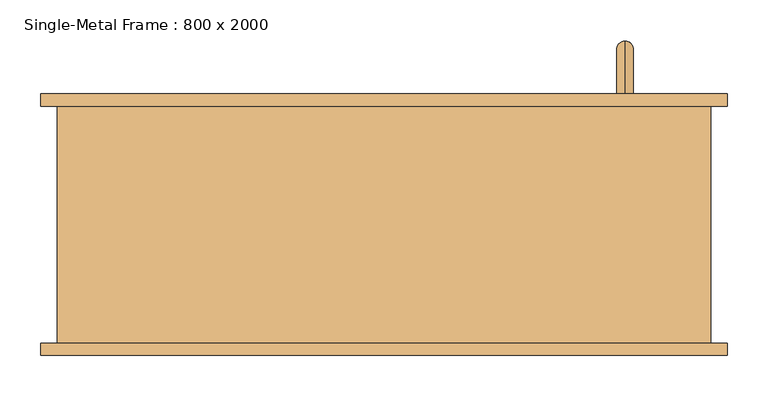
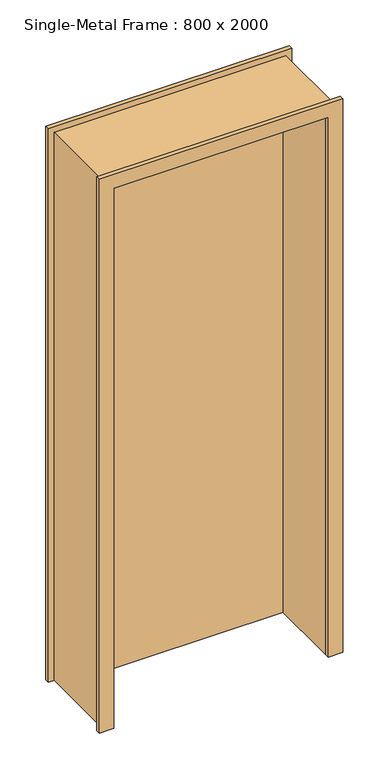
"""IFC4 building model written with IfcOpenShell, lengths in millimetres: door geometry, Single-Metal Frame : 800 x 2000."""

from ifc_helpers import new_model, si_unit, frame, origin, origin_with_axes, place, context, project, spatial, polyline, circle_curve, ellipse_curve, outline, extrude, source, transform, mapped, element, save
from ifc_brep_helpers import plane_surface, cylinder_surface, advanced_brep


def single_metal_frame_800_x_2000_479c47f4(model_context):
    return source(origin(), model_context, "Body", "SolidModel", [
        advanced_brep(
        [(295.0435161, 140.0, 935.0), (295.0435161, 140.0, 955.0), (295.0435161, 205.0, 935.0), (295.0435161, 225.0, 955.0), (295.0435161, 205.0, 795.0), (295.0435161, 225.0, 775.0), (295.0435161, 140.0, 795.0), (295.0435161, 140.0, 775.0)],
        [
            (0, 1, circle_curve(frame((295.0435161, 140.0, 945.0), z_axis=(0.0, -1.0, 0.0), x_axis=(0.0, 0.0, 1.0)), 10.0)),
            (1, 0, circle_curve(frame((295.0435161, 140.0, 945.0), z_axis=(0.0, -1.0, 0.0), x_axis=(0.0, 0.0, 1.0)), 10.0)),
            (0, 2),
            (2, 3, ellipse_curve(frame((295.0435161, 215.0, 945.0), z_axis=(0.0, -0.7071067811865475, 0.7071067811865475), x_axis=(0.0, -0.7071067811865476, -0.7071067811865474)), 14.1421356, 10.0)),
            (3, 1),
            (3, 2, ellipse_curve(frame((295.0435161, 215.0, 945.0), z_axis=(0.0, -0.7071067811865475, 0.7071067811865475), x_axis=(0.0, -0.7071067811865476, -0.7071067811865474)), 14.1421356, 10.0)),
            (2, 4),
            (4, 5, ellipse_curve(frame((295.0435161, 215.0, 785.0), z_axis=(0.0, 0.7071067811865475, 0.7071067811865475), x_axis=(0.0, -0.7071067811865474, 0.7071067811865476)), 14.1421356, 10.0)),
            (5, 3),
            (5, 4, ellipse_curve(frame((295.0435161, 215.0, 785.0), z_axis=(0.0, 0.7071067811865475, 0.7071067811865475), x_axis=(0.0, -0.7071067811865474, 0.7071067811865476)), 14.1421356, 10.0)),
            (6, 7, circle_curve(frame((295.0435161, 140.0, 785.0), z_axis=(0.0, -1.0, 0.0), x_axis=(0.0, 0.0, -1.0)), 10.0)),
            (7, 6, circle_curve(frame((295.0435161, 140.0, 785.0), z_axis=(0.0, -1.0, 0.0), x_axis=(0.0, 0.0, -1.0)), 10.0)),
            (4, 6),
            (7, 5),
        ],
        [
            plane_surface(frame((-303.7449259, 140.0, 945.0), z_axis=(0.0, -1.0, 0.0), x_axis=(0.0, 0.0, 1.0))),
            cylinder_surface(frame((295.0435161, 140.0, 945.0), z_axis=(0.0, -1.0, 0.0), x_axis=(0.0, 0.0, 1.0)), 10.0),
            cylinder_surface(frame((295.0435161, 215.0, 945.0), z_axis=(0.0, 0.0, 1.0), x_axis=(0.0, 1.0, 0.0)), 10.0),
            plane_surface(frame((-303.7449259, 140.0, 785.0), z_axis=(0.0, -1.0, 0.0), x_axis=(0.0, 0.0, -1.0))),
            cylinder_surface(frame((295.0435161, 215.0, 785.0), z_axis=(0.0, 1.0, 0.0), x_axis=(0.0, 0.0, -1.0)), 10.0),
        ],
        [
            (0, [[1, 2]]),
            (1, [[-1, 3, 4, 5]]),
            (1, [[-2, -5, 6, -3]]),
            (2, [[-4, 7, 8, 9]]),
            (2, [[-6, -9, 10, -7]]),
            (3, [[11, 12]]),
            (4, [[-8, 13, -12, 14]]),
            (4, [[-10, -14, -11, -13]]),
        ],
    ),
        extrude(outline(polyline([(1970.0, -370.0), (1970.0, 370.0), (0.0, 370.0), (0.0, 420.0), (2020.0, 420.0), (2020.0, -420.0), (0.0, -420.0), (0.0, -370.0), (1970.0, -370.0)])), frame((0.0, -160.0, 0.0), z_axis=(0.0, 1.0, 0.0), x_axis=(0.0, 0.0, 1.0)), (0.0, 0.0, 1.0), 15.0),
        extrude(outline(polyline([(1970.0, -370.0), (1970.0, 370.0), (0.0, 370.0), (0.0, 420.0), (2020.0, 420.0), (2020.0, -420.0), (0.0, -420.0), (0.0, -370.0), (1970.0, -370.0)])), frame((0.0, 145.0, 0.0), z_axis=(0.0, 1.0, 0.0), x_axis=(0.0, 0.0, 1.0)), (0.0, 0.0, 1.0), 15.0),
        extrude(outline(polyline([(1970.0, 370.0), (0.0, 370.0), (0.0, 400.0), (2000.0, 400.0), (2000.0, -400.0), (0.0, -400.0), (0.0, -370.0), (1970.0, -370.0), (1970.0, 370.0)])), frame((0.0, -145.0, 0.0), z_axis=(0.0, 1.0, 0.0), x_axis=(0.0, 0.0, 1.0)), (0.0, 0.0, 1.0), 290.0),
        extrude(outline(polyline([(-370.0, 140.0), (370.0, 140.0), (370.0, 110.0), (-370.0, 110.0), (-370.0, 140.0)])), origin_with_axes(), (0.0, 0.0, 1.0), 1970.0),
    ])


if __name__ == "__main__":
    model = new_model("IFC4")
    model_context = context("Model", 3, world=origin())
    ifc_project = project(units=[si_unit("LENGTHUNIT", "METRE", prefix="MILLI")], contexts=[model_context])
    site = spatial("IfcSite", under=ifc_project)
    building = spatial("IfcBuilding", under=site)
    placement = place(None, origin())
    single_metal_frame_800_x_2000_shape = single_metal_frame_800_x_2000_479c47f4(model_context)
    element("IfcDoor", 1, ObjectType="Single-Metal Frame : 800 x 2000", at=placement, inside=building, context=model_context, shape_type="MappedRepresentation", body=[
        mapped(single_metal_frame_800_x_2000_shape, transform((0.0, 0.0, 0.0), x_axis=(1.0, 0.0, 0.0), y_axis=(0.0, 1.0, 0.0), z_axis=(0.0, 0.0, 1.0))),
    ])
    save(model, "model.ifc")
